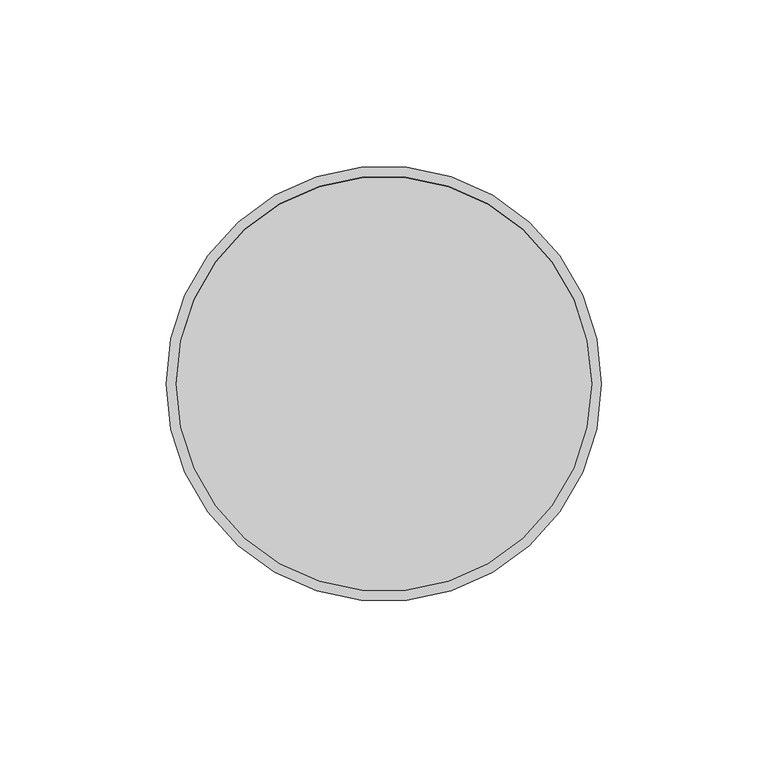
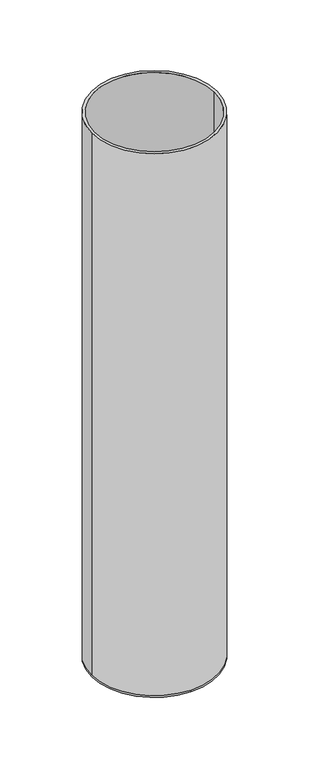
"""IFC4 building model written with IfcOpenShell, lengths in millimetres: beam geometry."""

from ifc_helpers import new_model, si_unit, frame, origin, place, context, project, spatial, polyline, circle_curve, source, transform, mapped, element, save
from ifc_brep_helpers import plane_surface, cylinder_surface, revolved_surface, advanced_brep


def beam_d0fdc2fc(model_context):
    return source(origin(), model_context, "Body", "AdvancedBrep", [
        advanced_brep(
        [(65.5, 0.0, 0.0), (-65.5, 0.0, 0.0), (62.5, 0.0, 0.0), (-62.5, 0.0, 0.0), (62.5, 0.0, -598.0), (-62.5, 0.0, -598.0), (65.5, 0.0, -598.0), (0.0, 65.5, -598.0), (-65.5, 0.0, -598.0), (0.0, -65.5, -598.0), (0.0, 65.5, -600.0), (0.0, -65.5, -600.0)],
        [
            (0, 1, circle_curve(frame((0.0, 0.0, 0.0), z_axis=(0.0, 0.0, 1.0), x_axis=(-1.0, 0.0, 0.0)), 65.5)),
            (1, 0, circle_curve(frame((0.0, 0.0, 0.0), z_axis=(0.0, 0.0, 1.0), x_axis=(-1.0, 0.0, 0.0)), 65.5)),
            (2, 3, circle_curve(frame((0.0, 0.0, 0.0), z_axis=(0.0, 0.0, -1.0), x_axis=(-1.0, 0.0, 0.0)), 62.5)),
            (3, 2, circle_curve(frame((0.0, 0.0, 0.0), z_axis=(0.0, 0.0, -1.0), x_axis=(-1.0, 0.0, 0.0)), 62.5)),
            (2, 4),
            (4, 5, circle_curve(frame((0.0, 0.0, -598.0), z_axis=(0.0, 0.0, -1.0), x_axis=(-1.0, 0.0, 0.0)), 62.5)),
            (5, 3),
            (5, 4, circle_curve(frame((0.0, 0.0, -598.0), z_axis=(0.0, 0.0, -1.0), x_axis=(-1.0, 0.0, 0.0)), 62.5)),
            (0, 6),
            (6, 7, circle_curve(frame((0.0, 0.0, -598.0), z_axis=(0.0, 0.0, 1.0), x_axis=(-1.0, 0.0, 0.0)), 65.5)),
            (7, 8, circle_curve(frame((0.0, 0.0, -598.0), z_axis=(0.0, 0.0, 1.0), x_axis=(-1.0, 0.0, 0.0)), 65.5)),
            (8, 1),
            (8, 9, circle_curve(frame((0.0, 0.0, -598.0), z_axis=(0.0, 0.0, 1.0), x_axis=(-1.0, 0.0, 0.0)), 65.5)),
            (9, 6, circle_curve(frame((0.0, 0.0, -598.0), z_axis=(0.0, 0.0, 1.0), x_axis=(-1.0, 0.0, 0.0)), 65.5)),
            (10, 11, circle_curve(frame((0.0, 0.0, -600.0), z_axis=(0.0, 0.0, -1.0), x_axis=(0.0, -1.0, 0.0)), 65.5)),
            (11, 10, circle_curve(frame((0.0, 0.0, -600.0), z_axis=(0.0, 0.0, -1.0), x_axis=(0.0, -1.0, 0.0)), 65.5)),
            (11, 9),
            (7, 10),
        ],
        [
            plane_surface(frame((0.0, 0.0, 0.0), z_axis=(0.0, 0.0, 1.0), x_axis=(0.0, -1.0, 0.0))),
            revolved_surface(polyline([(-62.5, 0.0, 0.0), (-62.5, 0.0, -598.0)]), (0.0, 0.0, -598.0), (0.0, 0.0, 1.0)),
            cylinder_surface(frame((0.0, 0.0, -598.0), z_axis=(0.0, 0.0, -1.0), x_axis=(-1.0, 0.0, 0.0)), 65.5),
            plane_surface(frame((0.0, 0.0, -598.0), z_axis=(0.0, 0.0, 1.0), x_axis=(0.0, -1.0, 0.0))),
            plane_surface(frame((0.0, 0.0, -600.0), z_axis=(0.0, 0.0, -1.0), x_axis=(0.0, -1.0, 0.0))),
            cylinder_surface(frame((0.0, 0.0, -598.0), z_axis=(0.0, 0.0, 1.0), x_axis=(0.0, -1.0, 0.0)), 65.5),
        ],
        [
            (0, [[1, 2], [3, 4]]),
            (1, [[-3, 5, 6, 7]]),
            (1, [[-4, -7, 8, -5]]),
            (2, [[-1, 9, 10, 11, 12]]),
            (2, [[-2, -12, 13, 14, -9]]),
            (3, [[-6, -8]]),
            (4, [[15, 16]]),
            (5, [[-16, 17, -13, -11, 18]]),
            (5, [[-15, -18, -10, -14, -17]]),
        ],
    ),
    ])


if __name__ == "__main__":
    model = new_model("IFC4")
    model_context = context("Model", 3, world=origin())
    ifc_project = project(units=[si_unit("LENGTHUNIT", "METRE", prefix="MILLI")], contexts=[model_context])
    site = spatial("IfcSite", under=ifc_project)
    building = spatial("IfcBuilding", under=site)
    placement = place(None, origin())
    beam_shape = beam_d0fdc2fc(model_context)
    element("IfcBeam", 1, at=placement, inside=building, context=model_context, shape_type="MappedRepresentation", body=[
        mapped(beam_shape, transform((0.0, 0.0, 0.0), x_axis=(1.0, 0.0, 0.0), y_axis=(0.0, 1.0, 0.0), z_axis=(0.0, 0.0, 1.0))),
    ])
    save(model, "model.ifc")
